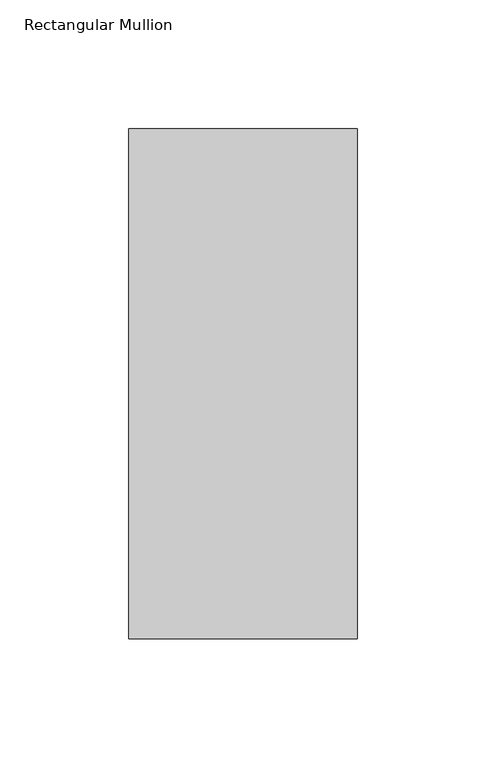
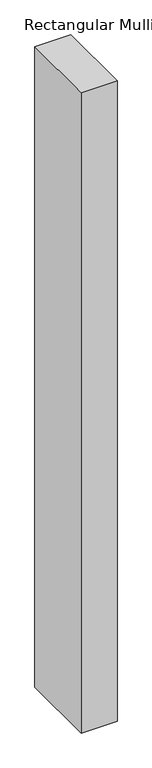
"""IFC4 building model written with IfcOpenShell, lengths in millimetres: member geometry, Rectangular Mullion."""

from ifc_helpers import new_model, si_unit, frame, origin, place, context, project, spatial, polyline, outline, extrude, source, transform, mapped, element, save


def rectangular_mullion_4cfe37d7(model_context):
    return source(origin(), model_context, "Body", "SweptSolid", [
        extrude(outline(polyline([(-88.9, 42.06875), (0.0, 42.06875), (0.0, -156.36875), (-88.9, -156.36875), (-88.9, 42.06875)])), frame((0.0, 0.0, -1676.4), z_axis=(0.0, 0.0, 1.0), x_axis=(1.0, 0.0, 0.0)), (0.0, 0.0, 1.0), 1676.4),
    ])


if __name__ == "__main__":
    model = new_model("IFC4")
    model_context = context("Model", 3, world=origin())
    ifc_project = project(units=[si_unit("LENGTHUNIT", "METRE", prefix="MILLI")], contexts=[model_context])
    site = spatial("IfcSite", under=ifc_project)
    building = spatial("IfcBuilding", under=site)
    placement = place(None, origin())
    rectangular_mullion_shape = rectangular_mullion_4cfe37d7(model_context)
    element("IfcMember", 1, ObjectType="Rectangular Mullion", at=placement, inside=building, context=model_context, shape_type="MappedRepresentation", body=[
        mapped(rectangular_mullion_shape, transform((0.0, 0.0, 0.0), x_axis=(1.0, 0.0, 0.0), y_axis=(0.0, 1.0, 0.0), z_axis=(0.0, 0.0, 1.0))),
    ])
    save(model, "model.ifc")
